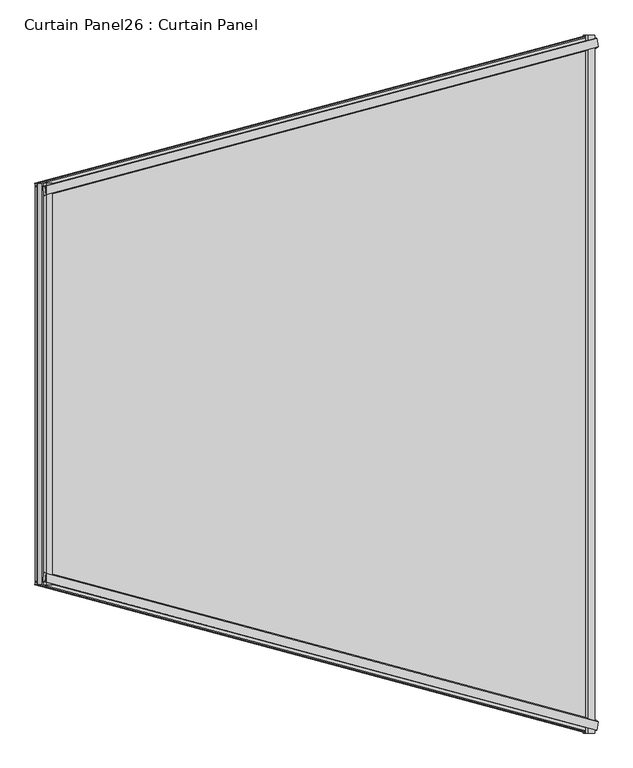
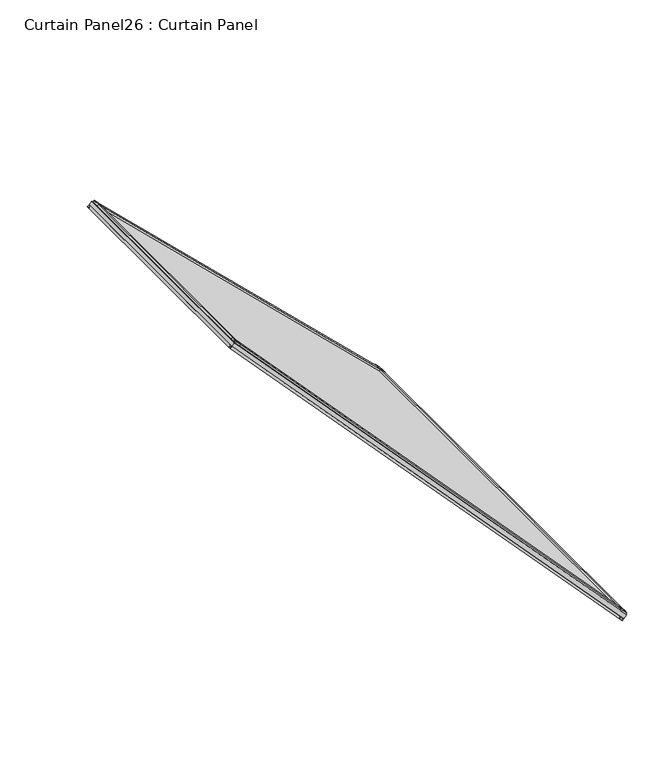
"""IFC4 building model written with IfcOpenShell, lengths in millimetres: plate geometry, Curtain Panel26 : Curtain Panel."""

from ifc_helpers import new_model, si_unit, frame, origin, place, context, project, spatial, polyline, outline, extrude, source, transform, mapped, element, save


def curtain_panel26_curtain_panel_041436ae(model_context):
    return source(origin(), model_context, "Body", "SweptSolid", [
        extrude(outline(polyline([(22.3831197, -5.9476601), (22.4361731, -22.5325479), (17.5121094, -25.3444409), (17.5121093, -5.963242), (22.3831197, -5.9476601)])), frame((-9663.6571418, -13032.5668801, 2447.9025634), z_axis=(-0.6830127018922195, -0.18301270189221572, 0.7071067811865482), x_axis=(0.7192545966764045, 0.0, 0.6947465906068649)), (0.0, 0.0, 1.0), 1550.2696766),
        extrude(outline(polyline([(-2.3405703, 0.0), (4.7128906, 0.0), (4.7128906, -11.3518128), (-0.0198592, -12.2485207), (-2.3405703, 0.0)])), frame((-9663.6571418, -13032.5668801, 2447.9025634), z_axis=(-0.6830127018922195, -0.18301270189221572, 0.7071067811865482), x_axis=(0.7192545966764045, 0.0, 0.6947465906068649)), (0.0, 0.0, 1.0), 1550.2696766),
        extrude(outline(polyline([(22.3831197, 5.9476601), (17.5121093, 5.963242), (17.5121094, 25.3444409), (22.4361731, 22.5325479), (22.3831197, 5.9476601)])), frame((-9663.6571418, -14369.6577495, 2447.9025634), z_axis=(-0.6830127018922186, 0.18301270189221436, 0.7071067811865495), x_axis=(0.7192545966764045, 0.0, 0.6947465906068649)), (0.0, 0.0, 1.0), 1550.2696766),
        extrude(outline(polyline([(-2.3405703, 0.0), (-0.0198592, 12.2485207), (4.7128906, 11.3518128), (4.7128906, 0.0), (-2.3405703, 0.0)])), frame((-9663.6571418, -14369.6577495, 2447.9025634), z_axis=(-0.6830127018922186, 0.18301270189221436, 0.7071067811865495), x_axis=(0.7192545966764045, 0.0, 0.6947465906068649)), (0.0, 0.0, 1.0), 1550.2696766),
        extrude(outline(polyline([(2451.3951409, -9660.4782475), (2461.2985155, -9670.0441729), (2457.3093459, -9672.75354), (2447.5796422, -9667.3555076), (2451.3951409, -9660.4782475)])), frame((0.0, -14369.5447425, 0.0), z_axis=(0.0, 1.0, 0.0), x_axis=(0.0, 0.0, 1.0)), (0.0, 0.0, 1.0), 1336.8648553),
        extrude(outline(polyline([(2479.4739025, -9662.9131678), (2477.8080844, -9668.1960761), (2463.1338731, -9654.0218765), (2467.4899121, -9651.3316769), (2479.4739025, -9662.9131678)])), frame((0.0, -14369.5447425, 0.0), z_axis=(0.0, 1.0, 0.0), x_axis=(0.0, 0.0, 1.0)), (0.0, 0.0, 1.0), 1336.8648553),
        extrude(outline(polyline([(3547.6013402, -10719.3321264), (3540.8604346, -10723.3836604), (3535.128468, -10713.846866), (3537.6979656, -10709.7662011), (3547.6013402, -10719.3321264)])), frame((0.0, -14085.8257003, 0.0), z_axis=(0.0, 1.0, 0.0), x_axis=(0.0, 0.0, 1.0)), (0.0, 0.0, 1.0), 769.426771),
        extrude(outline(polyline([(3544.1948313, -10691.3546107), (3556.1846632, -10702.9300539), (3553.6470352, -10707.3767037), (3538.9728239, -10693.202504), (3544.1948313, -10691.3546107)])), frame((0.0, -14085.8257003, 0.0), z_axis=(0.0, 1.0, 0.0), x_axis=(0.0, 0.0, 1.0)), (0.0, 0.0, 1.0), 769.426771),
        extrude(outline(polyline([(-15.9768562, 0.0), (-260.6607872, -1314.3970399), (-1707.0820846, -756.5426742), (-1566.2465304, 1e-07), (-15.9768562, 0.0)])), frame((-9649.5658518, -13029.699416, 2440.0977975), z_axis=(0.7192545966764043, 0.0, 0.6947465906068649), x_axis=(0.6830127018922197, 0.18301270189221444, -0.7071067811865483)), (0.0, 0.0, 1.0), 12.7992188),
    ])


if __name__ == "__main__":
    model = new_model("IFC4")
    model_context = context("Model", 3, world=origin())
    ifc_project = project(units=[si_unit("LENGTHUNIT", "METRE", prefix="MILLI")], contexts=[model_context])
    site = spatial("IfcSite", under=ifc_project)
    building = spatial("IfcBuilding", under=site)
    placement = place(None, origin())
    curtain_panel26_curtain_panel_shape = curtain_panel26_curtain_panel_041436ae(model_context)
    element("IfcPlate", 1, ObjectType="Curtain Panel26 : Curtain Panel", at=placement, inside=building, context=model_context, shape_type="MappedRepresentation", body=[
        mapped(curtain_panel26_curtain_panel_shape, transform((0.0, 0.0, 0.0), x_axis=(1.0, 0.0, 0.0), y_axis=(0.0, 1.0, 0.0), z_axis=(0.0, 0.0, 1.0))),
    ])
    save(model, "model.ifc")
